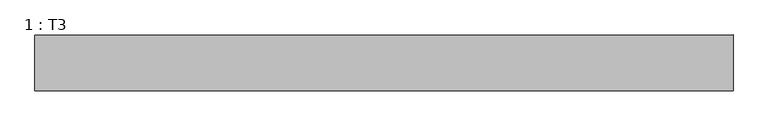
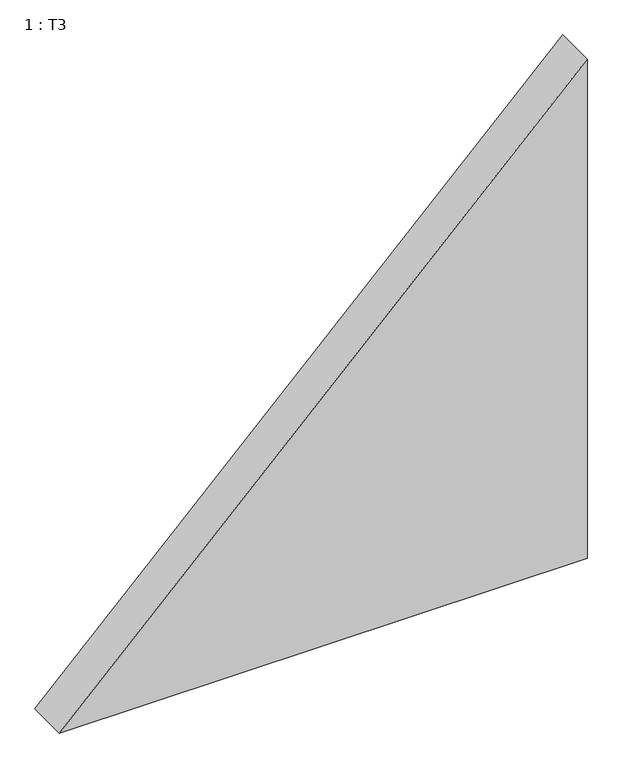
"""IFC4 building model written with IfcOpenShell, lengths in millimetres: proxy geometry, 1 : T3."""

from ifc_helpers import new_model, si_unit, frame, origin, place, context, project, spatial, polyline, outline, extrude, source, transform, mapped, element, save


def proxy_1_t3_76881cb8(model_context):
    return source(origin(), model_context, "Body", "SweptSolid", [
        extrude(outline(polyline([(2500.0, 0.0), (0.0, -2500.0), (0.0, 0.0), (2500.0, 0.0)])), frame((0.0, -200.0, 0.0), z_axis=(0.0, 1.0, 0.0), x_axis=(0.0, 0.0, 1.0)), (0.0, 0.0, 1.0), 200.0),
    ])


if __name__ == "__main__":
    model = new_model("IFC4")
    model_context = context("Model", 3, world=origin())
    ifc_project = project(units=[si_unit("LENGTHUNIT", "METRE", prefix="MILLI")], contexts=[model_context])
    site = spatial("IfcSite", under=ifc_project)
    building = spatial("IfcBuilding", under=site)
    placement = place(None, origin())
    proxy_1_t3_shape = proxy_1_t3_76881cb8(model_context)
    element("IfcBuildingElementProxy", 1, Name="1 : T3", ObjectType="1 : T3", at=placement, inside=building, context=model_context, shape_type="MappedRepresentation", body=[
        mapped(proxy_1_t3_shape, transform((0.0, 0.0, 0.0), x_axis=(1.0, 0.0, 0.0), y_axis=(0.0, 1.0, 0.0), z_axis=(0.0, 0.0, 1.0))),
    ])
    save(model, "model.ifc")
